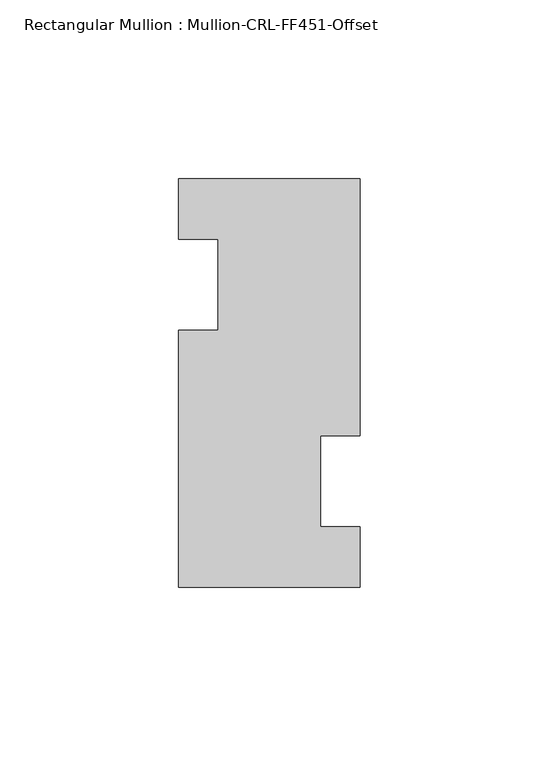
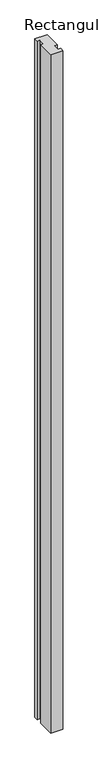
"""IFC4 building model written with IfcOpenShell, lengths in millimetres: member geometry, Rectangular Mullion : Mullion-CRL-FF451-Offset."""

from ifc_helpers import new_model, si_unit, frame, origin, place, context, project, spatial, polyline, outline, extrude, source, transform, mapped, element, save


def rectangular_mullion_mullion_crl_ff451_offset_468631fd(model_context):
    return source(origin(), model_context, "Body", "SweptSolid", [
        extrude(outline(polyline([(0.0, -67.7000868), (0.0, -84.6455), (-50.8, -84.6455), (-50.8, -12.7090868), (-39.6875, -12.7090868), (-39.6875, 12.7090868), (-50.8, 12.7090868), (-50.8, 29.6545), (0.0, 29.6545), (0.0, -42.3000868), (-11.1125, -42.3000868), (-11.1125, -67.7000868), (0.0, -67.7000868)])), frame((0.0, 0.0, -2997.2), z_axis=(0.0, 0.0, 1.0), x_axis=(1.0, 0.0, 0.0)), (0.0, 0.0, 1.0), 2997.2),
    ])


if __name__ == "__main__":
    model = new_model("IFC4")
    model_context = context("Model", 3, world=origin())
    ifc_project = project(units=[si_unit("LENGTHUNIT", "METRE", prefix="MILLI")], contexts=[model_context])
    site = spatial("IfcSite", under=ifc_project)
    building = spatial("IfcBuilding", under=site)
    placement = place(None, origin())
    rectangular_mullion_mullion_crl_ff451_offset_shape = rectangular_mullion_mullion_crl_ff451_offset_468631fd(model_context)
    element("IfcMember", 1, ObjectType="Rectangular Mullion : Mullion-CRL-FF451-Offset", at=placement, inside=building, context=model_context, shape_type="MappedRepresentation", body=[
        mapped(rectangular_mullion_mullion_crl_ff451_offset_shape, transform((0.0, 0.0, 0.0), x_axis=(1.0, 0.0, 0.0), y_axis=(0.0, 1.0, 0.0), z_axis=(0.0, 0.0, 1.0))),
    ])
    save(model, "model.ifc")
